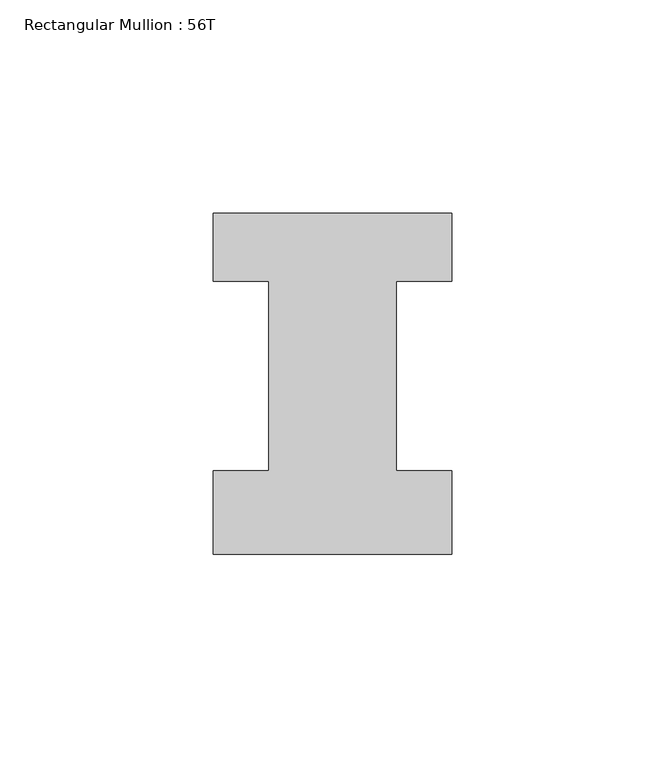
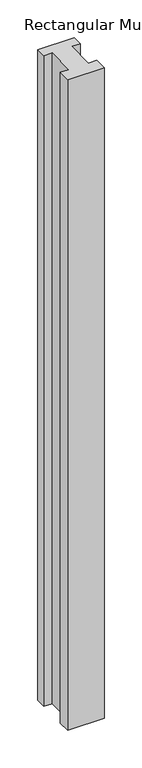
"""IFC4 building model written with IfcOpenShell, lengths in millimetres: member geometry, Rectangular Mullion : 56T."""

from ifc_helpers import new_model, si_unit, frame, origin, place, context, project, spatial, polyline, outline, extrude, source, transform, mapped, element, save


def rectangular_mullion_56t_1896a852(model_context):
    return source(origin(), model_context, "Body", "SweptSolid", [
        extrude(outline(polyline([(28.0, -20.0), (-28.0, -20.0), (-28.0, -0.5), (-15.0, -0.5), (-15.0, 44.0), (-28.0, 44.0), (-28.0, 60.0), (28.0, 60.0), (28.0, 44.0), (15.0, 44.0), (15.0, -0.5), (28.0, -0.5), (28.0, -20.0)])), frame((0.0, 0.0, -1056.0), z_axis=(0.0, 0.0, 1.0), x_axis=(1.0, 0.0, 0.0)), (0.0, 0.0, 1.0), 1056.0),
    ])


if __name__ == "__main__":
    model = new_model("IFC4")
    model_context = context("Model", 3, world=origin())
    ifc_project = project(units=[si_unit("LENGTHUNIT", "METRE", prefix="MILLI")], contexts=[model_context])
    site = spatial("IfcSite", under=ifc_project)
    building = spatial("IfcBuilding", under=site)
    placement = place(None, origin())
    rectangular_mullion_56t_shape = rectangular_mullion_56t_1896a852(model_context)
    element("IfcMember", 1, ObjectType="Rectangular Mullion : 56T", at=placement, inside=building, context=model_context, shape_type="MappedRepresentation", body=[
        mapped(rectangular_mullion_56t_shape, transform((0.0, 0.0, 0.0), x_axis=(1.0, 0.0, 0.0), y_axis=(0.0, 1.0, 0.0), z_axis=(0.0, 0.0, 1.0))),
    ])
    save(model, "model.ifc")
